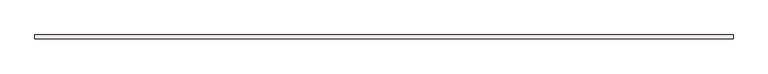
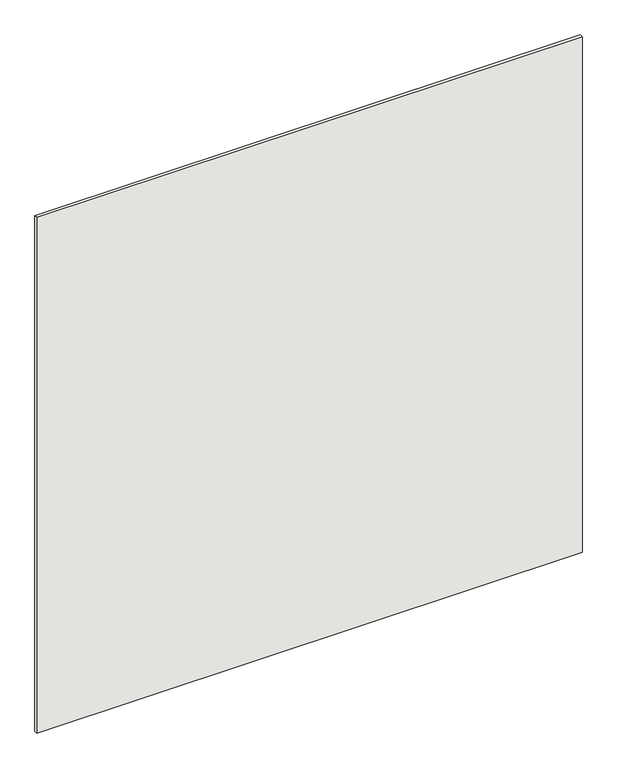
"""IFC4 building model written with IfcOpenShell, lengths in millimetres: covering geometry."""

import ifcopenshell
import ifcopenshell.guid

model = None  # the IFC model being written
_history = None  # IfcOwnerHistory: only IFC2X3 demands one
_inside = {}  # id of a spatial element -> (the spatial element, [elements in it])
_under = {}  # id of a project, library or spatial element -> (it, [spatial elements below it])
_declared = {}  # id of a project -> (the project, [libraries it declares])
_typed = {}  # id of a type object -> (the type object, [elements of that type])
_made_of = {}  # id of a material, layer set ... -> (it, [elements and type objects made of it])


def new_model(schema):
    """Start an empty IFC model of exactly this schema.

    Asked for "IFC4X3", IfcOpenShell would pick the latest addendum, in which some entities
    have other attributes; the version numbers below select the first issue.
    IFC2X3 requires an IfcOwnerHistory on every rooted entity: one is made here for all.
    """
    global model, _history
    if schema == "IFC4X3":
        model = ifcopenshell.file(schema_version=(4, 3, 0, 0))
    else:
        model = ifcopenshell.file(schema=schema)
    _inside.clear()
    _under.clear()
    _declared.clear()
    _typed.clear()
    _made_of.clear()
    _history = None
    if model.schema == "IFC2X3":
        org = make("IfcOrganization", Name="unknown")
        user = make(
            "IfcPersonAndOrganization",
            ThePerson=make("IfcPerson", FamilyName="unknown"),
            TheOrganization=org,
        )
        app = make(
            "IfcApplication",
            ApplicationDeveloper=org,
            Version="unknown",
            ApplicationFullName="unknown",
            ApplicationIdentifier="unknown",
        )
        _history = make(
            "IfcOwnerHistory",
            OwningUser=user,
            OwningApplication=app,
            ChangeAction="ADDED",
            CreationDate=0,
        )
    return model


def make(cls, **values):
    """One entity of the class cls with the attributes given. An attribute that is None is left unset."""
    return model.create_entity(
        cls, **{name: value for name, value in values.items() if value is not None}
    )


def rooted(cls, **values):
    """An entity with a GlobalId (a new one), such as an element, a storey or a relation."""
    return make(cls, GlobalId=ifcopenshell.guid.new(), OwnerHistory=_history, **values)


def si_unit(unit_type, name, prefix=None):
    """IfcSIUnit, for example si_unit("LENGTHUNIT", "METRE", prefix="MILLI")."""
    return make("IfcSIUnit", UnitType=unit_type, Prefix=prefix, Name=name)


def assignment(units):
    """IfcUnitAssignment: the units of a project."""
    return None if units is None else make("IfcUnitAssignment", Units=units)


def point(xyz):
    """IfcCartesianPoint."""
    return None if xyz is None else make("IfcCartesianPoint", Coordinates=xyz)


def direction(xyz):
    """IfcDirection."""
    return None if xyz is None else make("IfcDirection", DirectionRatios=xyz)


def frame(location, z_axis=None, x_axis=None):
    """IfcAxis2Placement3D, a coordinate frame: its origin and axes. An axis left out is left unset."""
    return make(
        "IfcAxis2Placement3D",
        Location=point(location),
        Axis=direction(z_axis),
        RefDirection=direction(x_axis),
    )


def origin():
    """The frame at (0, 0, 0) with its axes left unset."""
    return frame((0.0, 0.0, 0.0))


def origin_with_axes():
    """The frame at (0, 0, 0) with the z axis (0, 0, 1) and the x axis (1, 0, 0) written out."""
    return frame((0.0, 0.0, 0.0), z_axis=(0.0, 0.0, 1.0), x_axis=(1.0, 0.0, 0.0))


def place(relative_to, where):
    """IfcLocalPlacement: puts the frame where relative to a parent placement (None: the world)."""
    return make(
        "IfcLocalPlacement", PlacementRelTo=relative_to, RelativePlacement=where
    )


def context(
    kind, dimensions, precision=None, world=None, true_north=None, identifier=None
):
    """IfcGeometricRepresentationContext, for example the 3D "Model" context."""
    return make(
        "IfcGeometricRepresentationContext",
        ContextIdentifier=identifier,
        ContextType=kind,
        CoordinateSpaceDimension=dimensions,
        Precision=precision,
        WorldCoordinateSystem=world,
        TrueNorth=true_north,
    )


def project(units=None, contexts=None):
    """IfcProject with its units and contexts."""
    return rooted(
        "IfcProject",
        Name="project",
        RepresentationContexts=contexts,
        UnitsInContext=assignment(units),
    )


def spatial(cls, under=None, at=None, **own):
    """A site, building, storey or space (cls), placed at a placement, below another one or the project."""
    s = rooted(cls, ObjectPlacement=at, **own)
    if under is not None:
        _under.setdefault(under.id(), (under, []))[1].append(s)
    return s


def polyline(points):
    """IfcPolyline through the points."""
    return make("IfcPolyline", Points=[point(p) for p in points])


def outline(outer, holes=None, kind="AREA"):
    """IfcArbitraryClosedProfileDef: a profile drawn as a closed curve; with holes, ...WithVoids."""
    if holes is None:
        return make("IfcArbitraryClosedProfileDef", ProfileType=kind, OuterCurve=outer)
    return make(
        "IfcArbitraryProfileDefWithVoids",
        ProfileType=kind,
        OuterCurve=outer,
        InnerCurves=holes,
    )


def extrude(swept, where, along, depth):
    """IfcExtrudedAreaSolid: the profile swept, set in the frame where, extruded along a direction by depth."""
    return make(
        "IfcExtrudedAreaSolid",
        SweptArea=swept,
        Position=where,
        ExtrudedDirection=direction(along),
        Depth=depth,
    )


def shape(context_of_items, identifier, shape_type, items):
    """IfcShapeRepresentation: the items that make up one representation, for example the "Body"."""
    return make(
        "IfcShapeRepresentation",
        ContextOfItems=context_of_items,
        RepresentationIdentifier=identifier,
        RepresentationType=shape_type,
        Items=items,
    )


def source(mapping_origin, context_of_items, identifier, shape_type, items):
    """IfcRepresentationMap: a shape defined once, which mapped items show again and again."""
    return make(
        "IfcRepresentationMap",
        MappingOrigin=mapping_origin,
        MappedRepresentation=shape(context_of_items, identifier, shape_type, items),
    )


def transform(
    local_origin,
    x_axis=None,
    y_axis=None,
    z_axis=None,
    scale=None,
    scale2=None,
    scale3=None,
    uniform=True,
):
    """IfcCartesianTransformationOperator3D, or its non-uniform kind. x_axis, y_axis, z_axis: its Axis1, 2, 3."""
    if uniform:
        return make(
            "IfcCartesianTransformationOperator3D",
            Axis1=direction(x_axis),
            Axis2=direction(y_axis),
            LocalOrigin=point(local_origin),
            Scale=scale,
            Axis3=direction(z_axis),
        )
    return make(
        "IfcCartesianTransformationOperator3DnonUniform",
        Axis1=direction(x_axis),
        Axis2=direction(y_axis),
        LocalOrigin=point(local_origin),
        Scale=scale,
        Axis3=direction(z_axis),
        Scale2=scale2,
        Scale3=scale3,
    )


def mapped(mapping_source, mapping_target):
    """IfcMappedItem: shows the shape of a source again, moved by a transform."""
    return make(
        "IfcMappedItem", MappingSource=mapping_source, MappingTarget=mapping_target
    )


def made_of(thing, what):
    """Note that an element or type object is made of a material, layer set ...; save() writes the relation."""
    if what is not None:
        _made_of.setdefault(what.id(), (what, []))[1].append(thing)
    return thing


def element(
    cls,
    number,
    at=None,
    inside=None,
    cuts=None,
    type_object=None,
    material=None,
    context=None,
    identifier="Body",
    shape_type=None,
    held_by="IfcProductDefinitionShape",
    body=None,
    shapes=None,
    **own,
):
    """One element of the class cls, such as IfcWall. Its Tag is "e" and its number.

    at: its placement. inside: the storey or other place that contains it. cuts: it is an
    opening in that element (IfcRelVoidsElement). A single representation is given by context,
    identifier, shape_type and body (its items); several are given by shapes. held_by: the class
    of the entity that holds the representations. save() writes the other relations.
    """
    e = rooted(cls, Tag="e%d" % number, ObjectPlacement=at, **own)
    if body is not None:
        shapes = [shape(context, identifier, shape_type, body)]
    if shapes is not None:
        e.Representation = make(held_by, Representations=shapes)
    if inside is not None:
        _inside.setdefault(inside.id(), (inside, []))[1].append(e)
    if cuts is not None:
        rooted(
            "IfcRelVoidsElement", RelatingBuildingElement=cuts, RelatedOpeningElement=e
        )
    if type_object is not None:
        _typed.setdefault(type_object.id(), (type_object, []))[1].append(e)
    return made_of(e, material)


def aggregate(whole, parts):
    """IfcRelAggregates: a whole, such as a stair, and the parts it consists of."""
    return rooted("IfcRelAggregates", RelatingObject=whole, RelatedObjects=parts)


def save(model, path):
    """Write the relations noted so far, then the file.

    IfcRelAggregates (storeys below a building ...), IfcRelContainedInSpatialStructure (elements
    in a storey), IfcRelDefinesByType, IfcRelAssociatesMaterial and IfcRelDeclares: one each for
    every whole, place, type object, material and project.
    """
    for whole, parts in _under.values():
        aggregate(whole, parts)
    for where, things in _inside.values():
        rooted(
            "IfcRelContainedInSpatialStructure",
            RelatedElements=things,
            RelatingStructure=where,
        )
    for kind, things in _typed.values():
        rooted("IfcRelDefinesByType", RelatedObjects=things, RelatingType=kind)
    for what, things in _made_of.values():
        rooted("IfcRelAssociatesMaterial", RelatedObjects=things, RelatingMaterial=what)
    for by, libraries in _declared.values():
        rooted("IfcRelDeclares", RelatingContext=by, RelatedDefinitions=libraries)
    model.write(path)


def covering_13ba82d1(model_context):
    return source(origin(), model_context, "Body", "SweptSolid", [
        extrude(outline(polyline([(2940.0, 1978.2525449), (2940.0, 1962.2525449), (-60.0, 1962.2525449), (-60.0, 1978.2525449), (2940.0, 1978.2525449)])), origin_with_axes(), (0.0, 0.0, 1.0), 3000.0),
    ])


if __name__ == "__main__":
    model = new_model("IFC4")
    model_context = context("Model", 3, world=origin())
    ifc_project = project(units=[si_unit("LENGTHUNIT", "METRE", prefix="MILLI")], contexts=[model_context])
    site = spatial("IfcSite", under=ifc_project)
    building = spatial("IfcBuilding", under=site)
    placement = place(None, origin())
    covering_shape = covering_13ba82d1(model_context)
    element("IfcCovering", 1, at=placement, inside=building, context=model_context, shape_type="MappedRepresentation", body=[
        mapped(covering_shape, transform((0.0, 0.0, 0.0), x_axis=(1.0, 0.0, 0.0), y_axis=(0.0, 1.0, 0.0), z_axis=(0.0, 0.0, 1.0))),
    ])
    save(model, "model.ifc")
